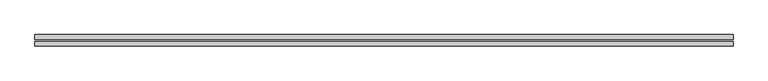
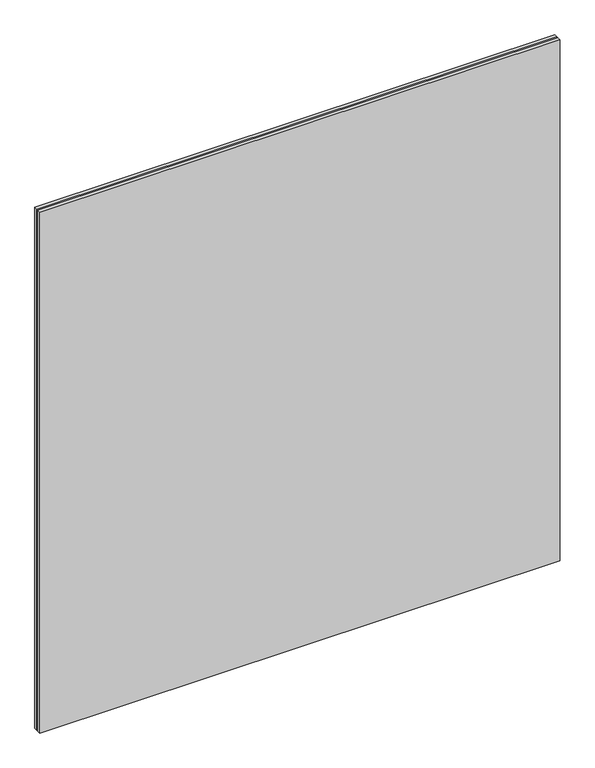
"""IFC4 building model written with IfcOpenShell, lengths in millimetres: plate geometry."""

from ifc_helpers import new_model, si_unit, origin, origin_with_axes, place, context, project, spatial, polyline, outline, extrude, source, transform, mapped, element, save


def plate_74fb9782(model_context):
    return source(origin(), model_context, "Body", "SweptSolid", [
        extrude(outline(polyline([(605.0, -10.0), (-605.0, -10.0), (-605.0, -2.0), (605.0, -2.0), (605.0, -10.0)])), origin_with_axes(), (0.0, 0.0, 1.0), 1280.0),
        extrude(outline(polyline([(605.0, 2.0), (-605.0, 2.0), (-605.0, 10.0), (605.0, 10.0), (605.0, 2.0)])), origin_with_axes(), (0.0, 0.0, 1.0), 1280.0),
    ])


if __name__ == "__main__":
    model = new_model("IFC4")
    model_context = context("Model", 3, world=origin())
    ifc_project = project(units=[si_unit("LENGTHUNIT", "METRE", prefix="MILLI")], contexts=[model_context])
    site = spatial("IfcSite", under=ifc_project)
    building = spatial("IfcBuilding", under=site)
    placement = place(None, origin())
    plate_shape = plate_74fb9782(model_context)
    element("IfcPlate", 1, at=placement, inside=building, context=model_context, shape_type="MappedRepresentation", body=[
        mapped(plate_shape, transform((0.0, 0.0, 0.0), x_axis=(1.0, 0.0, 0.0), y_axis=(0.0, 1.0, 0.0), z_axis=(0.0, 0.0, 1.0))),
    ])
    save(model, "model.ifc")
